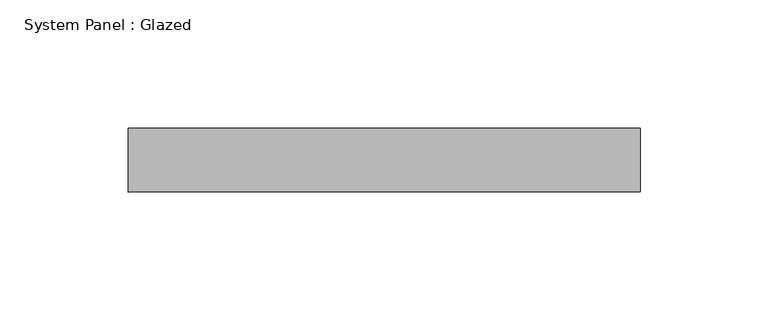
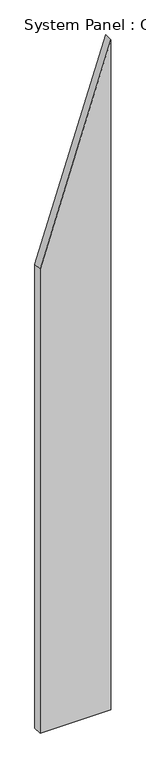
"""IFC4 building model written with IfcOpenShell, lengths in millimetres: plate geometry, System Panel : Glazed."""

from ifc_helpers import new_model, si_unit, frame, origin, place, context, project, spatial, polyline, outline, extrude, source, transform, mapped, element, save


def system_panel_glazed_edf01f8b(model_context):
    return source(origin(), model_context, "Body", "SweptSolid", [
        extrude(outline(polyline([(0.0, -100.0), (0.0, 100.0), (2000.0000009, 100.0), (1384.6153856, -100.0), (0.0, -100.0)])), frame((0.0, 24.5, 0.0), z_axis=(0.0, 1.0, 0.0), x_axis=(0.0, 0.0, 1.0)), (0.0, 0.0, 1.0), 25.0),
    ])


if __name__ == "__main__":
    model = new_model("IFC4")
    model_context = context("Model", 3, world=origin())
    ifc_project = project(units=[si_unit("LENGTHUNIT", "METRE", prefix="MILLI")], contexts=[model_context])
    site = spatial("IfcSite", under=ifc_project)
    building = spatial("IfcBuilding", under=site)
    placement = place(None, origin())
    system_panel_glazed_shape = system_panel_glazed_edf01f8b(model_context)
    element("IfcPlate", 1, ObjectType="System Panel : Glazed", at=placement, inside=building, context=model_context, shape_type="MappedRepresentation", body=[
        mapped(system_panel_glazed_shape, transform((0.0, 0.0, 0.0), x_axis=(1.0, 0.0, 0.0), y_axis=(0.0, 1.0, 0.0), z_axis=(0.0, 0.0, 1.0))),
    ])
    save(model, "model.ifc")
